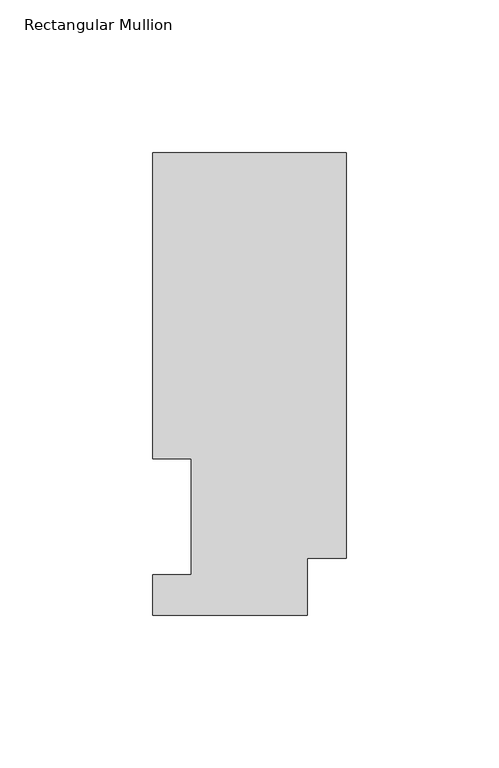
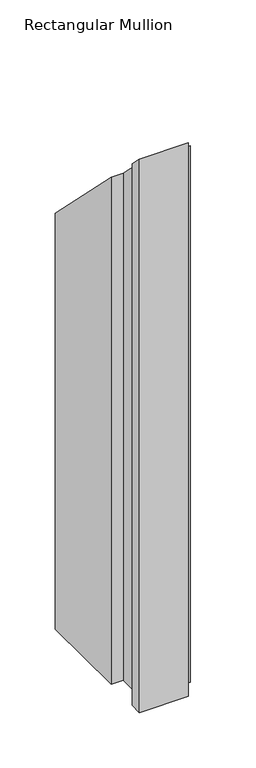
"""IFC4 building model written with IfcOpenShell, lengths in millimetres: member geometry, Rectangular Mullion."""

from ifc_helpers import new_model, si_unit, origin, place, context, project, spatial, faceted_brep, source, transform, mapped, element, save


def rectangular_mullion_4f3ab8fe(model_context):
    return source(origin(), model_context, "Body", "Brep", [
        faceted_brep([(0.0, 151.7022937, -609.6), (0.0, 18.7332937, -609.6), (-12.7, 18.7332937, -609.6), (-12.7, 0.0134937, -609.6), (-63.5, 0.0134937, -609.6), (-63.5, 13.1960938, -609.6), (-50.8, 13.1960938, -609.6), (-50.8, 51.2960938, -609.6), (-63.5, 51.2960938, -609.6), (-63.5, 151.7022937, -609.6), (-63.5, 151.7022937, -151.7022937), (0.0, 151.7022937, -151.7022937), (-63.5, 51.2960938, -51.2960938), (-50.8, 51.2960938, -51.2960937), (-50.8, 13.1960938, -13.1960938), (-63.5, 13.1960938, -13.1960938), (-63.5, 0.0134937, -0.0134937), (-12.7, 0.0134937, -0.0134937), (-12.7, 18.7332937, -18.7332937), (0.0, 18.7332937, -18.7332937)], [[[0, 1, 2, 3, 4, 5, 6, 7, 8, 9]], [[10, 11, 0, 9]], [[12, 10, 9, 8]], [[13, 12, 8, 7]], [[14, 13, 7, 6]], [[15, 14, 6, 5]], [[16, 15, 5, 4]], [[17, 16, 4, 3]], [[18, 17, 3, 2]], [[19, 18, 2, 1]], [[11, 19, 1, 0]], [[11, 10, 12, 13, 14, 15, 16, 17, 18, 19]]]),
    ])


if __name__ == "__main__":
    model = new_model("IFC4")
    model_context = context("Model", 3, world=origin())
    ifc_project = project(units=[si_unit("LENGTHUNIT", "METRE", prefix="MILLI")], contexts=[model_context])
    site = spatial("IfcSite", under=ifc_project)
    building = spatial("IfcBuilding", under=site)
    placement = place(None, origin())
    rectangular_mullion_shape = rectangular_mullion_4f3ab8fe(model_context)
    element("IfcMember", 1, ObjectType="Rectangular Mullion", at=placement, inside=building, context=model_context, shape_type="MappedRepresentation", body=[
        mapped(rectangular_mullion_shape, transform((0.0, 0.0, 0.0), x_axis=(1.0, 0.0, 0.0), y_axis=(0.0, 1.0, 0.0), z_axis=(0.0, 0.0, 1.0))),
    ])
    save(model, "model.ifc")
